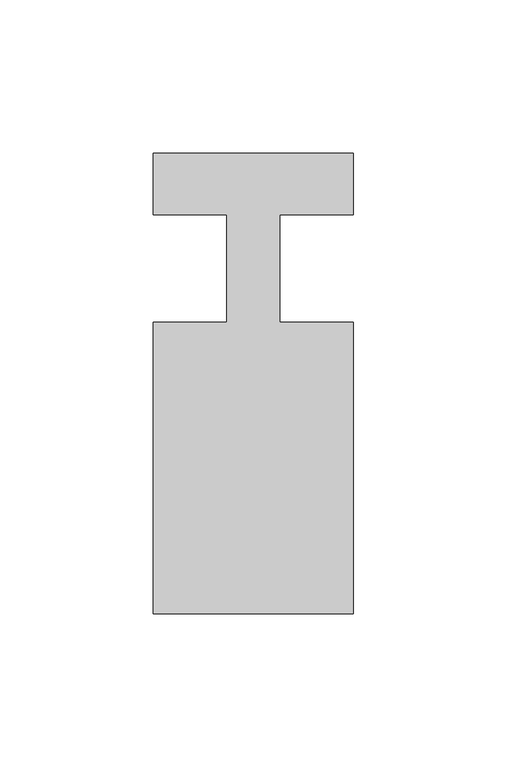
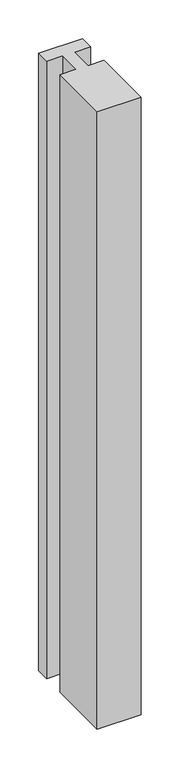
"""IFC4 building model written with IfcOpenShell, lengths in millimetres: member geometry."""

from ifc_helpers import new_model, si_unit, frame, origin, place, context, project, spatial, polyline, outline, extrude, source, transform, mapped, element, save


def member_612144e8(model_context):
    return source(origin(), model_context, "Body", "SweptSolid", [
        extrude(outline(polyline([(0.0, 37.0), (0.0, 17.0), (-23.8125, 17.0), (-23.8125, -18.0), (0.0, -18.0), (0.0, -113.0), (-65.0, -113.0), (-65.0, -18.0), (-41.1875, -18.0), (-41.1875, 17.0), (-65.0, 17.0), (-65.0, 37.0), (0.0, 37.0)])), frame((0.0, 0.0, -967.5), z_axis=(0.0, 0.0, 1.0), x_axis=(1.0, 0.0, 0.0)), (0.0, 0.0, 1.0), 967.5),
    ])


if __name__ == "__main__":
    model = new_model("IFC4")
    model_context = context("Model", 3, world=origin())
    ifc_project = project(units=[si_unit("LENGTHUNIT", "METRE", prefix="MILLI")], contexts=[model_context])
    site = spatial("IfcSite", under=ifc_project)
    building = spatial("IfcBuilding", under=site)
    placement = place(None, origin())
    member_shape = member_612144e8(model_context)
    element("IfcMember", 1, at=placement, inside=building, context=model_context, shape_type="MappedRepresentation", body=[
        mapped(member_shape, transform((0.0, 0.0, 0.0), x_axis=(1.0, 0.0, 0.0), y_axis=(0.0, 1.0, 0.0), z_axis=(0.0, 0.0, 1.0))),
    ])
    save(model, "model.ifc")
